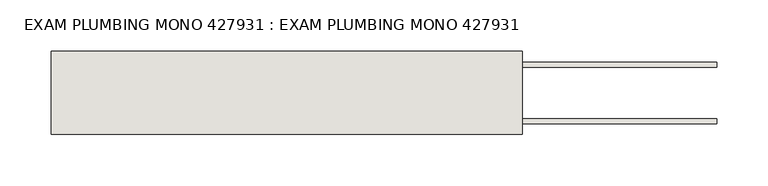
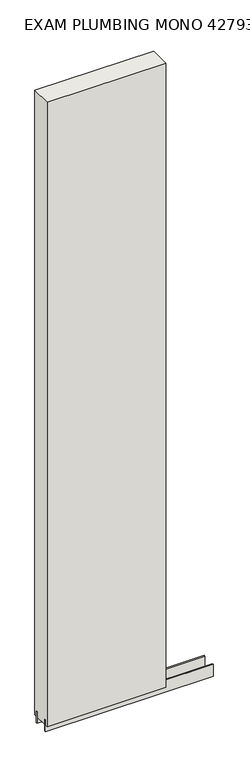
"""IFC4 building model written with IfcOpenShell, lengths in millimetres: wall geometry, EXAM PLUMBING MONO 427931 : EXAM PLUMBING MONO 427931."""

from ifc_helpers import new_model, si_unit, frame, origin, place, context, project, spatial, polyline, outline, extrude, source, transform, mapped, element, save


def exam_plumbing_mono_427931_exam_plumbing_mono_427931_7715eb07(model_context):
    return source(origin(), model_context, "Body", "SweptSolid", [
        extrude(outline(polyline([(68448.9208616, -43072.0636398), (68451.4608616, -43072.0636398), (68451.4608616, -43074.6036398), (68448.9208616, -43074.6036398), (68448.9208616, -43072.0636398)])), frame((0.0, 0.0, 4419.6), z_axis=(0.0, 0.0, 1.0), x_axis=(1.0, 0.0, 0.0)), (0.0, 0.0, 1.0), 2.54),
        extrude(outline(polyline([(67990.7956666, -43098.4142856), (68641.949711, -43098.4142856), (68641.949711, -43103.4961398), (67990.7956666, -43103.4961398), (67990.7956666, -43098.4142856)])), frame((0.0, 0.0, 4418.6602), z_axis=(0.0, 0.0, 1.0), x_axis=(1.0, 0.0, 0.0)), (0.0, 0.0, 1.0), 47.625),
        extrude(outline(polyline([(67990.7956666, -43098.4142856), (68641.949711, -43098.4142856), (68641.949711, -43103.4961398), (67990.7956666, -43103.4961398), (67990.7956666, -43098.4142856)])), frame((0.0, 0.0, 4418.6602), z_axis=(0.0, 0.0, 1.0), x_axis=(1.0, 0.0, 0.0)), (0.0, 0.0, 1.0), 47.625),
        extrude(outline(polyline([(68641.949711, -43048.2498952), (67990.7956666, -43048.2498952), (67990.7956666, -43043.1711398), (68641.949711, -43043.1711398), (68641.949711, -43048.2498952)])), frame((0.0, 0.0, 4418.6602), z_axis=(0.0, 0.0, 1.0), x_axis=(1.0, 0.0, 0.0)), (0.0, 0.0, 1.0), 47.625),
        extrude(outline(polyline([(68641.949711, -43048.2498952), (67990.7956666, -43048.2498952), (67990.7956666, -43043.1711398), (68641.949711, -43043.1711398), (68641.949711, -43048.2498952)])), frame((0.0, 0.0, 4418.6602), z_axis=(0.0, 0.0, 1.0), x_axis=(1.0, 0.0, 0.0)), (0.0, 0.0, 1.0), 47.625),
        extrude(outline(polyline([(67990.820457, -43113.9854254), (67990.820457, -43032.70667), (68451.449711, -43032.70667), (68451.449711, -43113.9854254), (67990.820457, -43113.9854254)])), frame((0.0, 0.0, 4445.0), z_axis=(0.0, 0.0, 1.0), x_axis=(1.0, 0.0, 0.0)), (0.0, 0.0, 1.0), 2562.4536762),
    ])


if __name__ == "__main__":
    model = new_model("IFC4")
    model_context = context("Model", 3, world=origin())
    ifc_project = project(units=[si_unit("LENGTHUNIT", "METRE", prefix="MILLI")], contexts=[model_context])
    site = spatial("IfcSite", under=ifc_project)
    building = spatial("IfcBuilding", under=site)
    placement = place(None, origin())
    exam_plumbing_mono_427931_exam_plumbing_mono_427931_shape = exam_plumbing_mono_427931_exam_plumbing_mono_427931_7715eb07(model_context)
    element("IfcWall", 1, ObjectType="EXAM PLUMBING MONO 427931 : EXAM PLUMBING MONO 427931", at=placement, inside=building, context=model_context, shape_type="MappedRepresentation", body=[
        mapped(exam_plumbing_mono_427931_exam_plumbing_mono_427931_shape, transform((0.0, 0.0, 0.0), x_axis=(1.0, 0.0, 0.0), y_axis=(0.0, 1.0, 0.0), z_axis=(0.0, 0.0, 1.0))),
    ])
    save(model, "model.ifc")
